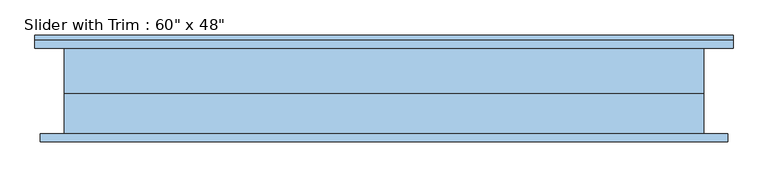
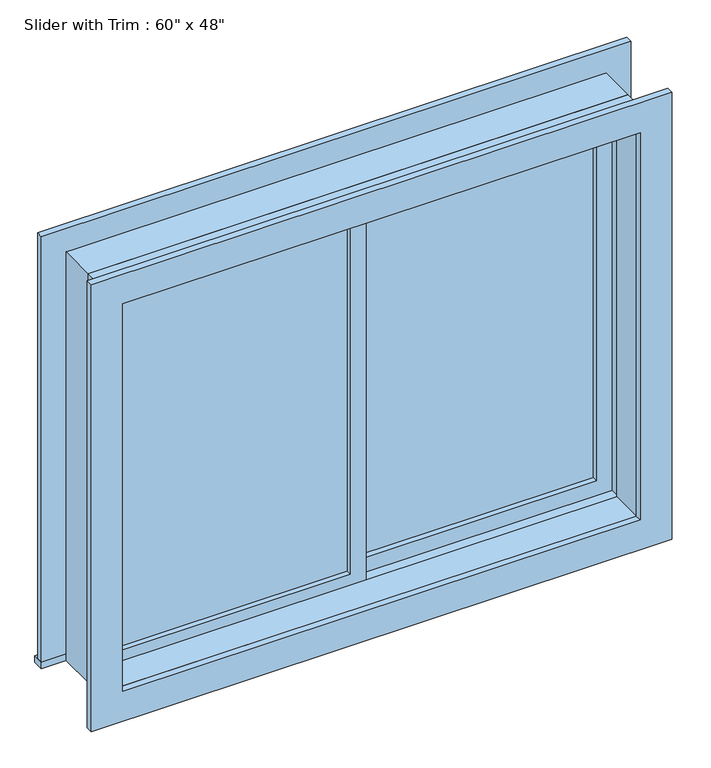
"""IFC4 building model written with IfcOpenShell, lengths in millimetres: window geometry."""

from ifc_helpers import new_model, si_unit, frame, origin, place, context, project, spatial, polyline, outline, extrude, source, transform, mapped, element, save


def window_ddee1a1f(model_context):
    return source(origin(), model_context, "Body", "SweptSolid", [
        extrude(outline(polyline([(-698.5, 22.225), (-22.225, 22.225), (-22.225, 9.525), (-698.5, 9.525), (-698.5, 22.225)])), frame((0.0, 0.0, 977.9), z_axis=(0.0, 0.0, 1.0), x_axis=(1.0, 0.0, 0.0)), (0.0, 0.0, 1.0), 1092.2),
        extrude(outline(polyline([(2114.55, -742.95), (933.45, -742.95), (933.45, 22.225), (2114.55, 22.225), (2114.55, -742.95)]), holes=[polyline([(2070.1, -698.5), (2070.1, -22.225), (977.9, -22.225), (977.9, -698.5), (2070.1, -698.5)])]), frame((0.0, -6.35, 0.0), z_axis=(0.0, 1.0, 0.0), x_axis=(0.0, 0.0, 1.0)), (0.0, 0.0, 1.0), 44.45),
        extrude(outline(polyline([(-831.85, 133.35), (831.85, 133.35), (831.85, 101.6), (-831.85, 101.6), (-831.85, 133.35)])), frame((0.0, 0.0, 914.4), z_axis=(0.0, 0.0, 1.0), x_axis=(1.0, 0.0, 0.0)), (0.0, 0.0, 1.0), 19.05),
        extrude(outline(polyline([(2114.55, -742.95), (2114.55, 742.95), (933.45, 742.95), (933.45, 831.85), (2203.45, 831.85), (2203.45, -831.85), (933.45, -831.85), (933.45, -742.95), (2114.55, -742.95)])), frame((0.0, 101.6, 0.0), z_axis=(0.0, 1.0, 0.0), x_axis=(0.0, 0.0, 1.0)), (0.0, 0.0, 1.0), 19.05),
        extrude(outline(polyline([(2190.75, 819.15), (2190.75, -819.15), (857.25, -819.15), (857.25, 819.15), (2190.75, 819.15)]), holes=[polyline([(2101.85, 730.25), (946.15, 730.25), (946.15, -730.25), (2101.85, -730.25), (2101.85, 730.25)])]), frame((0.0, -120.65, 0.0), z_axis=(0.0, 1.0, 0.0), x_axis=(0.0, 0.0, 1.0)), (0.0, 0.0, 1.0), 19.05),
        extrude(outline(polyline([(698.5, 53.975), (22.225, 53.975), (22.225, 66.675), (698.5, 66.675), (698.5, 53.975)])), frame((0.0, 0.0, 977.9), z_axis=(0.0, 0.0, 1.0), x_axis=(1.0, 0.0, 0.0)), (0.0, 0.0, 1.0), 1092.2),
        extrude(outline(polyline([(2114.55, -22.225), (933.45, -22.225), (933.45, 742.95), (2114.55, 742.95), (2114.55, -22.225)]), holes=[polyline([(2070.1, 22.225), (2070.1, 698.5), (977.9, 698.5), (977.9, 22.225), (2070.1, 22.225)])]), frame((0.0, 38.1, 0.0), z_axis=(0.0, 1.0, 0.0), x_axis=(0.0, 0.0, 1.0)), (0.0, 0.0, 1.0), 44.45),
        extrude(outline(polyline([(2133.6, -762.0), (914.4, -762.0), (914.4, 762.0), (2133.6, 762.0), (2133.6, -762.0)]), holes=[polyline([(2101.85, -730.25), (2101.85, 730.25), (946.15, 730.25), (946.15, -730.25), (2101.85, -730.25)])]), frame((0.0, -101.6, 0.0), z_axis=(0.0, 1.0, 0.0), x_axis=(0.0, 0.0, 1.0)), (0.0, 0.0, 1.0), 95.25),
        extrude(outline(polyline([(2133.6, 762.0), (2133.6, -762.0), (914.4, -762.0), (914.4, 762.0), (2133.6, 762.0)]), holes=[polyline([(2114.55, 742.95), (933.45, 742.95), (933.45, -742.95), (2114.55, -742.95), (2114.55, 742.95)])]), frame((0.0, -6.35, 0.0), z_axis=(0.0, 1.0, 0.0), x_axis=(0.0, 0.0, 1.0)), (0.0, 0.0, 1.0), 107.95),
    ])


if __name__ == "__main__":
    model = new_model("IFC4")
    model_context = context("Model", 3, world=origin())
    ifc_project = project(units=[si_unit("LENGTHUNIT", "METRE", prefix="MILLI")], contexts=[model_context])
    site = spatial("IfcSite", under=ifc_project)
    building = spatial("IfcBuilding", under=site)
    placement = place(None, origin())
    window_shape = window_ddee1a1f(model_context)
    element("IfcWindow", 1, ObjectType="Slider with Trim : 60\" x 48\"", at=placement, inside=building, context=model_context, shape_type="MappedRepresentation", body=[
        mapped(window_shape, transform((0.0, 0.0, 0.0), x_axis=(1.0, 0.0, 0.0), y_axis=(0.0, 1.0, 0.0), z_axis=(0.0, 0.0, 1.0))),
    ])
    save(model, "model.ifc")
